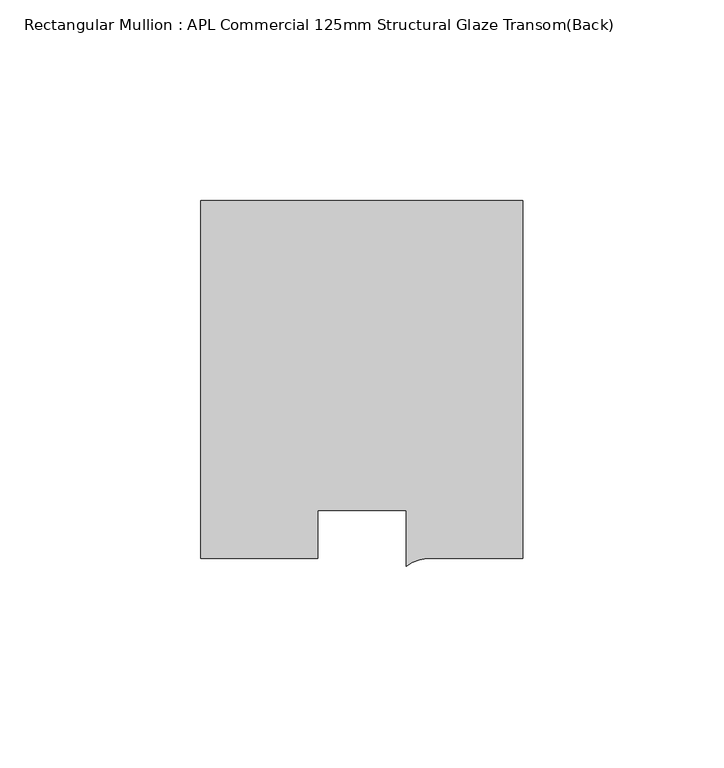
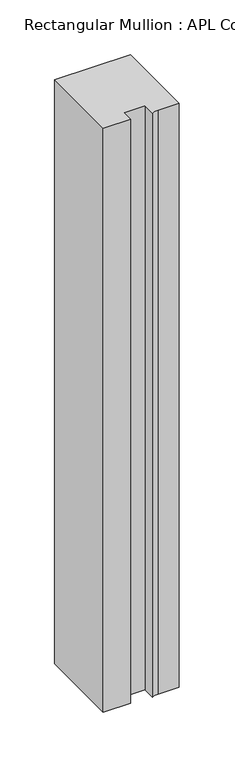
"""IFC4 building model written with IfcOpenShell, lengths in millimetres: member geometry, Rectangular Mullion : APL Commercial 125mm Structural Glaze Transom(Back)."""

from ifc_helpers import new_model, si_unit, point, frame, frame_2d, origin, place, context, project, spatial, polyline, circle_curve, trimmed, segment, composite_curve, outline, extrude, source, transform, mapped, element, save


def rectangular_mullion_apl_commercial_125mm_structural_glaze_e1c50d61(model_context):
    return source(origin(), model_context, "Body", "SweptSolid", [
        extrude(outline(composite_curve([segment(polyline([(40.0, 104.0), (40.0, 15.0000829), (17.9999542, 15.0000829)]), True, "CONTINUOUS"), segment(trimmed(circle_curve(frame_2d((17.1097719, 4.581653)), 10.4563907), [point((17.9999542, 15.0000829))], [point((11.0000151, 13.0673455))], True, "CARTESIAN"), True, "CONTINUOUS"), segment(polyline([(11.0000151, 13.0673455), (11.0000151, 27.0), (-11.0000151, 27.0), (-11.0000151, 15.0000829), (-40.0, 15.0000829), (-40.0, 104.0), (40.0, 104.0)]), True, "CONTINUOUS")], self_intersect=False)), frame((0.0, 0.0, -651.1972403), z_axis=(0.0, 0.0, 1.0), x_axis=(1.0, 0.0, 0.0)), (0.0, 0.0, 1.0), 651.1972403),
    ])


if __name__ == "__main__":
    model = new_model("IFC4")
    model_context = context("Model", 3, world=origin())
    ifc_project = project(units=[si_unit("LENGTHUNIT", "METRE", prefix="MILLI")], contexts=[model_context])
    site = spatial("IfcSite", under=ifc_project)
    building = spatial("IfcBuilding", under=site)
    placement = place(None, origin())
    rectangular_mullion_apl_commercial_125mm_structural_glaze_shape = rectangular_mullion_apl_commercial_125mm_structural_glaze_e1c50d61(model_context)
    element("IfcMember", 1, ObjectType="Rectangular Mullion : APL Commercial 125mm Structural Glaze Transom(Back)", at=placement, inside=building, context=model_context, shape_type="MappedRepresentation", body=[
        mapped(rectangular_mullion_apl_commercial_125mm_structural_glaze_shape, transform((0.0, 0.0, 0.0), x_axis=(1.0, 0.0, 0.0), y_axis=(0.0, 1.0, 0.0), z_axis=(0.0, 0.0, 1.0))),
    ])
    save(model, "model.ifc")
